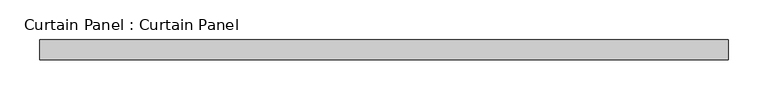
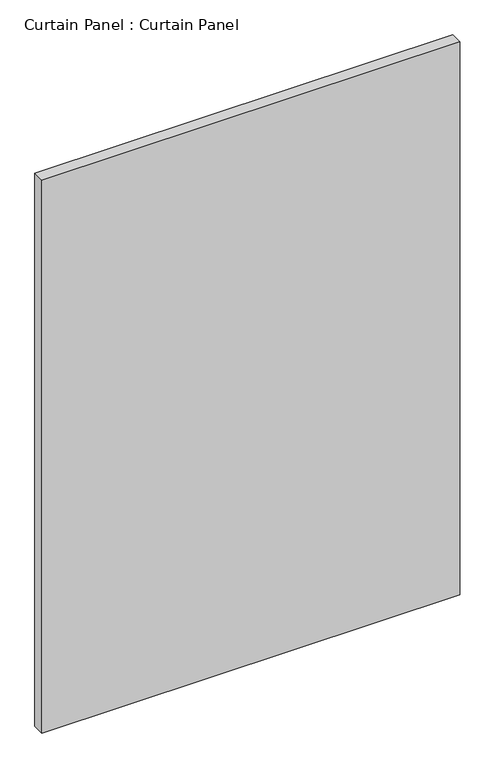
"""IFC4 building model written with IfcOpenShell, lengths in millimetres: plate geometry, Curtain Panel : Curtain Panel."""

from ifc_helpers import new_model, si_unit, frame, origin, place, context, project, spatial, polyline, outline, extrude, source, transform, mapped, element, save


def curtain_panel_curtain_panel_ab026e17(model_context):
    return source(origin(), model_context, "Body", "SweptSolid", [
        extrude(outline(polyline([(-35344.1151326, -1996.9602036), (-36210.4193302, -1996.9602036), (-36210.4193302, -1971.5602036), (-35344.1151326, -1971.5602036), (-35344.1151326, -1996.9602036)])), frame((0.0, 0.0, 537.3144909), z_axis=(0.0, 0.0, 1.0), x_axis=(1.0, 0.0, 0.0)), (0.0, 0.0, 1.0), 1211.4628498),
    ])


if __name__ == "__main__":
    model = new_model("IFC4")
    model_context = context("Model", 3, world=origin())
    ifc_project = project(units=[si_unit("LENGTHUNIT", "METRE", prefix="MILLI")], contexts=[model_context])
    site = spatial("IfcSite", under=ifc_project)
    building = spatial("IfcBuilding", under=site)
    placement = place(None, origin())
    curtain_panel_curtain_panel_shape = curtain_panel_curtain_panel_ab026e17(model_context)
    element("IfcPlate", 1, ObjectType="Curtain Panel : Curtain Panel", at=placement, inside=building, context=model_context, shape_type="MappedRepresentation", body=[
        mapped(curtain_panel_curtain_panel_shape, transform((0.0, 0.0, 0.0), x_axis=(1.0, 0.0, 0.0), y_axis=(0.0, 1.0, 0.0), z_axis=(0.0, 0.0, 1.0))),
    ])
    save(model, "model.ifc")
